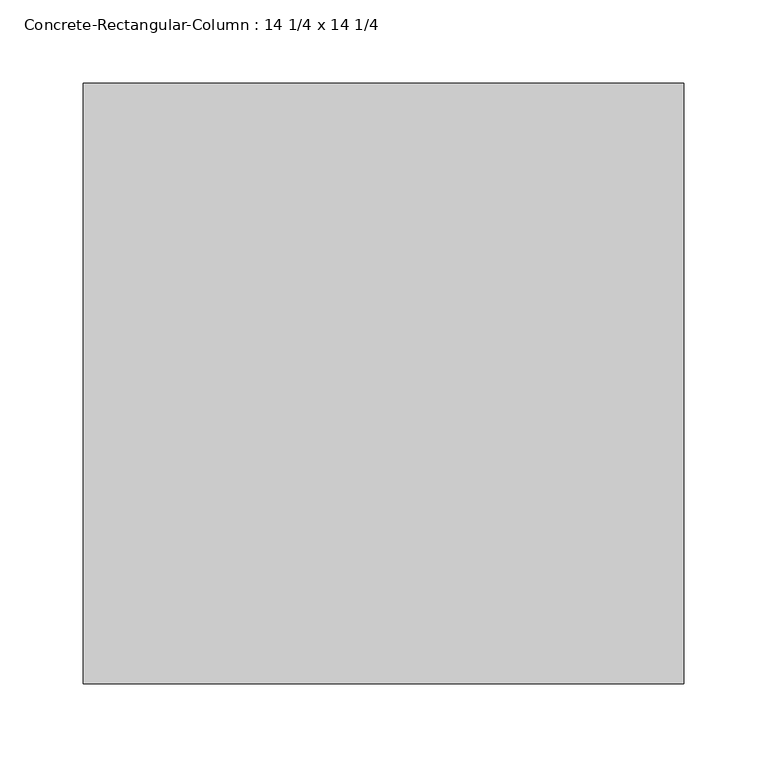
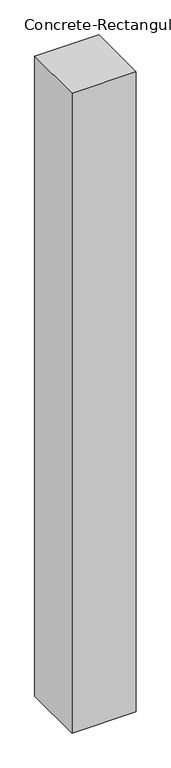
"""IFC4 building model written with IfcOpenShell, lengths in millimetres: column geometry, Concrete-Rectangular-Column : 14 1/4 x 14 1/4."""

from ifc_helpers import new_model, si_unit, origin, origin_with_axes, place, context, project, spatial, polyline, outline, extrude, source, transform, mapped, element, save


def concrete_rectangular_column_14_1_4_x_14_1_4_7611fc2a(model_context):
    return source(origin(), model_context, "Body", "SweptSolid", [
        extrude(outline(polyline([(180.975, 180.975), (180.975, -180.975), (-180.975, -180.975), (-180.975, 180.975), (180.975, 180.975)])), origin_with_axes(), (0.0, 0.0, 1.0), 3810.0),
    ])


if __name__ == "__main__":
    model = new_model("IFC4")
    model_context = context("Model", 3, world=origin())
    ifc_project = project(units=[si_unit("LENGTHUNIT", "METRE", prefix="MILLI")], contexts=[model_context])
    site = spatial("IfcSite", under=ifc_project)
    building = spatial("IfcBuilding", under=site)
    placement = place(None, origin())
    concrete_rectangular_column_14_1_4_x_14_1_4_shape = concrete_rectangular_column_14_1_4_x_14_1_4_7611fc2a(model_context)
    element("IfcColumn", 1, ObjectType="Concrete-Rectangular-Column : 14 1/4 x 14 1/4", at=placement, inside=building, context=model_context, shape_type="MappedRepresentation", body=[
        mapped(concrete_rectangular_column_14_1_4_x_14_1_4_shape, transform((0.0, 0.0, 0.0), x_axis=(1.0, 0.0, 0.0), y_axis=(0.0, 1.0, 0.0), z_axis=(0.0, 0.0, 1.0))),
    ])
    save(model, "model.ifc")
